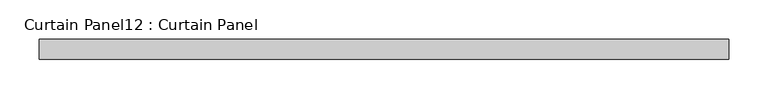
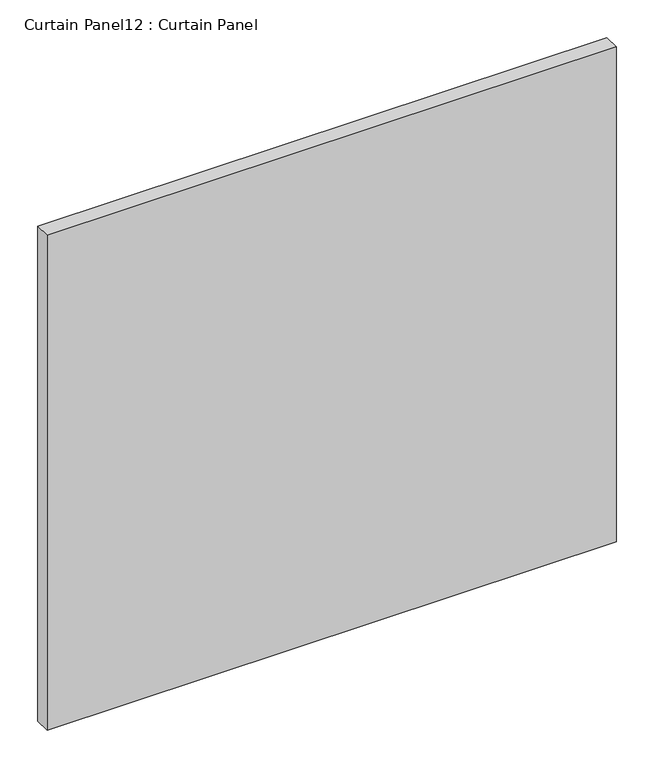
"""IFC4 building model written with IfcOpenShell, lengths in millimetres: plate geometry, Curtain Panel12 : Curtain Panel."""

from ifc_helpers import new_model, si_unit, frame, origin, place, context, project, spatial, polyline, outline, extrude, source, transform, mapped, element, save


def curtain_panel12_curtain_panel_d71e7957(model_context):
    return source(origin(), model_context, "Body", "SweptSolid", [
        extrude(outline(polyline([(52519.8904207, 2514.0505002), (51643.8074089, 2514.0505002), (51643.8074089, 2539.4505002), (52519.8904207, 2539.4505002), (52519.8904207, 2514.0505002)])), frame((0.0, 0.0, 1180.0759636), z_axis=(0.0, 0.0, 1.0), x_axis=(1.0, 0.0, 0.0)), (0.0, 0.0, 1.0), 805.4492959),
    ])


if __name__ == "__main__":
    model = new_model("IFC4")
    model_context = context("Model", 3, world=origin())
    ifc_project = project(units=[si_unit("LENGTHUNIT", "METRE", prefix="MILLI")], contexts=[model_context])
    site = spatial("IfcSite", under=ifc_project)
    building = spatial("IfcBuilding", under=site)
    placement = place(None, origin())
    curtain_panel12_curtain_panel_shape = curtain_panel12_curtain_panel_d71e7957(model_context)
    element("IfcPlate", 1, ObjectType="Curtain Panel12 : Curtain Panel", at=placement, inside=building, context=model_context, shape_type="MappedRepresentation", body=[
        mapped(curtain_panel12_curtain_panel_shape, transform((0.0, 0.0, 0.0), x_axis=(1.0, 0.0, 0.0), y_axis=(0.0, 1.0, 0.0), z_axis=(0.0, 0.0, 1.0))),
    ])
    save(model, "model.ifc")
